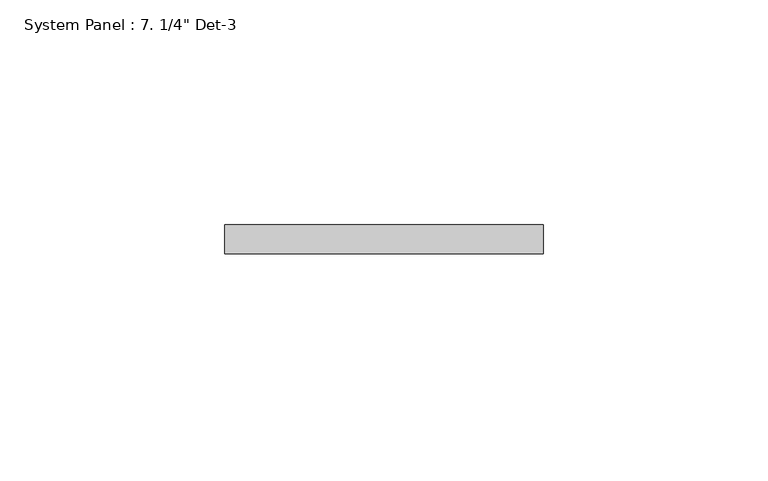
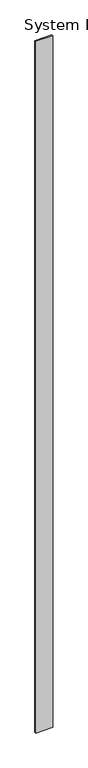
"""IFC4 building model written with IfcOpenShell, lengths in millimetres: plate geometry."""

from ifc_helpers import new_model, si_unit, origin, origin_with_axes, place, context, project, spatial, polyline, outline, extrude, source, transform, mapped, element, save


def plate_b8804cc7(model_context):
    return source(origin(), model_context, "Body", "SweptSolid", [
        extrude(outline(polyline([(35.3558148, -6.35), (-35.3558148, -6.35), (-35.3558148, 0.0), (35.3558148, 0.0), (35.3558148, -6.35)])), origin_with_axes(), (0.0, 0.0, 1.0), 3048.0),
    ])


if __name__ == "__main__":
    model = new_model("IFC4")
    model_context = context("Model", 3, world=origin())
    ifc_project = project(units=[si_unit("LENGTHUNIT", "METRE", prefix="MILLI")], contexts=[model_context])
    site = spatial("IfcSite", under=ifc_project)
    building = spatial("IfcBuilding", under=site)
    placement = place(None, origin())
    plate_shape = plate_b8804cc7(model_context)
    element("IfcPlate", 1, ObjectType="System Panel : 7. 1/4\" Det-3", at=placement, inside=building, context=model_context, shape_type="MappedRepresentation", body=[
        mapped(plate_shape, transform((0.0, 0.0, 0.0), x_axis=(1.0, 0.0, 0.0), y_axis=(0.0, 1.0, 0.0), z_axis=(0.0, 0.0, 1.0))),
    ])
    save(model, "model.ifc")
